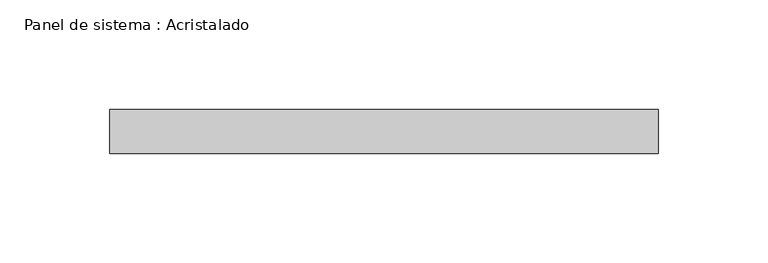
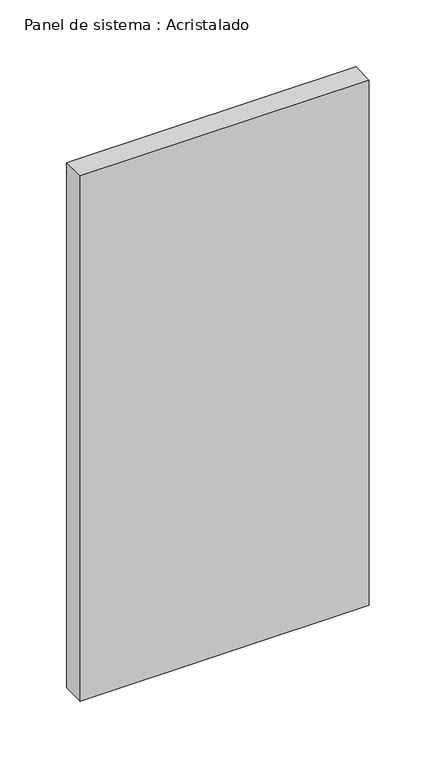
"""IFC4 building model written with IfcOpenShell, lengths in millimetres: plate geometry, Panel de sistema : Acristalado."""

import ifcopenshell
import ifcopenshell.guid

model = None  # the IFC model being written
_history = None  # IfcOwnerHistory: only IFC2X3 demands one
_inside = {}  # id of a spatial element -> (the spatial element, [elements in it])
_under = {}  # id of a project, library or spatial element -> (it, [spatial elements below it])
_declared = {}  # id of a project -> (the project, [libraries it declares])
_typed = {}  # id of a type object -> (the type object, [elements of that type])
_made_of = {}  # id of a material, layer set ... -> (it, [elements and type objects made of it])


def new_model(schema):
    """Start an empty IFC model of exactly this schema.

    Asked for "IFC4X3", IfcOpenShell would pick the latest addendum, in which some entities
    have other attributes; the version numbers below select the first issue.
    IFC2X3 requires an IfcOwnerHistory on every rooted entity: one is made here for all.
    """
    global model, _history
    if schema == "IFC4X3":
        model = ifcopenshell.file(schema_version=(4, 3, 0, 0))
    else:
        model = ifcopenshell.file(schema=schema)
    _inside.clear()
    _under.clear()
    _declared.clear()
    _typed.clear()
    _made_of.clear()
    _history = None
    if model.schema == "IFC2X3":
        org = make("IfcOrganization", Name="unknown")
        user = make(
            "IfcPersonAndOrganization",
            ThePerson=make("IfcPerson", FamilyName="unknown"),
            TheOrganization=org,
        )
        app = make(
            "IfcApplication",
            ApplicationDeveloper=org,
            Version="unknown",
            ApplicationFullName="unknown",
            ApplicationIdentifier="unknown",
        )
        _history = make(
            "IfcOwnerHistory",
            OwningUser=user,
            OwningApplication=app,
            ChangeAction="ADDED",
            CreationDate=0,
        )
    return model


def make(cls, **values):
    """One entity of the class cls with the attributes given. An attribute that is None is left unset."""
    return model.create_entity(
        cls, **{name: value for name, value in values.items() if value is not None}
    )


def rooted(cls, **values):
    """An entity with a GlobalId (a new one), such as an element, a storey or a relation."""
    return make(cls, GlobalId=ifcopenshell.guid.new(), OwnerHistory=_history, **values)


def si_unit(unit_type, name, prefix=None):
    """IfcSIUnit, for example si_unit("LENGTHUNIT", "METRE", prefix="MILLI")."""
    return make("IfcSIUnit", UnitType=unit_type, Prefix=prefix, Name=name)


def assignment(units):
    """IfcUnitAssignment: the units of a project."""
    return None if units is None else make("IfcUnitAssignment", Units=units)


def point(xyz):
    """IfcCartesianPoint."""
    return None if xyz is None else make("IfcCartesianPoint", Coordinates=xyz)


def direction(xyz):
    """IfcDirection."""
    return None if xyz is None else make("IfcDirection", DirectionRatios=xyz)


def frame(location, z_axis=None, x_axis=None):
    """IfcAxis2Placement3D, a coordinate frame: its origin and axes. An axis left out is left unset."""
    return make(
        "IfcAxis2Placement3D",
        Location=point(location),
        Axis=direction(z_axis),
        RefDirection=direction(x_axis),
    )


def origin():
    """The frame at (0, 0, 0) with its axes left unset."""
    return frame((0.0, 0.0, 0.0))


def origin_with_axes():
    """The frame at (0, 0, 0) with the z axis (0, 0, 1) and the x axis (1, 0, 0) written out."""
    return frame((0.0, 0.0, 0.0), z_axis=(0.0, 0.0, 1.0), x_axis=(1.0, 0.0, 0.0))


def place(relative_to, where):
    """IfcLocalPlacement: puts the frame where relative to a parent placement (None: the world)."""
    return make(
        "IfcLocalPlacement", PlacementRelTo=relative_to, RelativePlacement=where
    )


def context(
    kind, dimensions, precision=None, world=None, true_north=None, identifier=None
):
    """IfcGeometricRepresentationContext, for example the 3D "Model" context."""
    return make(
        "IfcGeometricRepresentationContext",
        ContextIdentifier=identifier,
        ContextType=kind,
        CoordinateSpaceDimension=dimensions,
        Precision=precision,
        WorldCoordinateSystem=world,
        TrueNorth=true_north,
    )


def project(units=None, contexts=None):
    """IfcProject with its units and contexts."""
    return rooted(
        "IfcProject",
        Name="project",
        RepresentationContexts=contexts,
        UnitsInContext=assignment(units),
    )


def spatial(cls, under=None, at=None, **own):
    """A site, building, storey or space (cls), placed at a placement, below another one or the project."""
    s = rooted(cls, ObjectPlacement=at, **own)
    if under is not None:
        _under.setdefault(under.id(), (under, []))[1].append(s)
    return s


def polyline(points):
    """IfcPolyline through the points."""
    return make("IfcPolyline", Points=[point(p) for p in points])


def outline(outer, holes=None, kind="AREA"):
    """IfcArbitraryClosedProfileDef: a profile drawn as a closed curve; with holes, ...WithVoids."""
    if holes is None:
        return make("IfcArbitraryClosedProfileDef", ProfileType=kind, OuterCurve=outer)
    return make(
        "IfcArbitraryProfileDefWithVoids",
        ProfileType=kind,
        OuterCurve=outer,
        InnerCurves=holes,
    )


def extrude(swept, where, along, depth):
    """IfcExtrudedAreaSolid: the profile swept, set in the frame where, extruded along a direction by depth."""
    return make(
        "IfcExtrudedAreaSolid",
        SweptArea=swept,
        Position=where,
        ExtrudedDirection=direction(along),
        Depth=depth,
    )


def shape(context_of_items, identifier, shape_type, items):
    """IfcShapeRepresentation: the items that make up one representation, for example the "Body"."""
    return make(
        "IfcShapeRepresentation",
        ContextOfItems=context_of_items,
        RepresentationIdentifier=identifier,
        RepresentationType=shape_type,
        Items=items,
    )


def source(mapping_origin, context_of_items, identifier, shape_type, items):
    """IfcRepresentationMap: a shape defined once, which mapped items show again and again."""
    return make(
        "IfcRepresentationMap",
        MappingOrigin=mapping_origin,
        MappedRepresentation=shape(context_of_items, identifier, shape_type, items),
    )


def transform(
    local_origin,
    x_axis=None,
    y_axis=None,
    z_axis=None,
    scale=None,
    scale2=None,
    scale3=None,
    uniform=True,
):
    """IfcCartesianTransformationOperator3D, or its non-uniform kind. x_axis, y_axis, z_axis: its Axis1, 2, 3."""
    if uniform:
        return make(
            "IfcCartesianTransformationOperator3D",
            Axis1=direction(x_axis),
            Axis2=direction(y_axis),
            LocalOrigin=point(local_origin),
            Scale=scale,
            Axis3=direction(z_axis),
        )
    return make(
        "IfcCartesianTransformationOperator3DnonUniform",
        Axis1=direction(x_axis),
        Axis2=direction(y_axis),
        LocalOrigin=point(local_origin),
        Scale=scale,
        Axis3=direction(z_axis),
        Scale2=scale2,
        Scale3=scale3,
    )


def mapped(mapping_source, mapping_target):
    """IfcMappedItem: shows the shape of a source again, moved by a transform."""
    return make(
        "IfcMappedItem", MappingSource=mapping_source, MappingTarget=mapping_target
    )


def made_of(thing, what):
    """Note that an element or type object is made of a material, layer set ...; save() writes the relation."""
    if what is not None:
        _made_of.setdefault(what.id(), (what, []))[1].append(thing)
    return thing


def element(
    cls,
    number,
    at=None,
    inside=None,
    cuts=None,
    type_object=None,
    material=None,
    context=None,
    identifier="Body",
    shape_type=None,
    held_by="IfcProductDefinitionShape",
    body=None,
    shapes=None,
    **own,
):
    """One element of the class cls, such as IfcWall. Its Tag is "e" and its number.

    at: its placement. inside: the storey or other place that contains it. cuts: it is an
    opening in that element (IfcRelVoidsElement). A single representation is given by context,
    identifier, shape_type and body (its items); several are given by shapes. held_by: the class
    of the entity that holds the representations. save() writes the other relations.
    """
    e = rooted(cls, Tag="e%d" % number, ObjectPlacement=at, **own)
    if body is not None:
        shapes = [shape(context, identifier, shape_type, body)]
    if shapes is not None:
        e.Representation = make(held_by, Representations=shapes)
    if inside is not None:
        _inside.setdefault(inside.id(), (inside, []))[1].append(e)
    if cuts is not None:
        rooted(
            "IfcRelVoidsElement", RelatingBuildingElement=cuts, RelatedOpeningElement=e
        )
    if type_object is not None:
        _typed.setdefault(type_object.id(), (type_object, []))[1].append(e)
    return made_of(e, material)


def aggregate(whole, parts):
    """IfcRelAggregates: a whole, such as a stair, and the parts it consists of."""
    return rooted("IfcRelAggregates", RelatingObject=whole, RelatedObjects=parts)


def save(model, path):
    """Write the relations noted so far, then the file.

    IfcRelAggregates (storeys below a building ...), IfcRelContainedInSpatialStructure (elements
    in a storey), IfcRelDefinesByType, IfcRelAssociatesMaterial and IfcRelDeclares: one each for
    every whole, place, type object, material and project.
    """
    for whole, parts in _under.values():
        aggregate(whole, parts)
    for where, things in _inside.values():
        rooted(
            "IfcRelContainedInSpatialStructure",
            RelatedElements=things,
            RelatingStructure=where,
        )
    for kind, things in _typed.values():
        rooted("IfcRelDefinesByType", RelatedObjects=things, RelatingType=kind)
    for what, things in _made_of.values():
        rooted("IfcRelAssociatesMaterial", RelatedObjects=things, RelatingMaterial=what)
    for by, libraries in _declared.values():
        rooted("IfcRelDeclares", RelatingContext=by, RelatedDefinitions=libraries)
    model.write(path)


def panel_de_sistema_acristalado_70795b49(model_context):
    return source(origin(), model_context, "Body", "SweptSolid", [
        extrude(outline(polyline([(125.0, -10.0), (-125.0, -10.0), (-125.0, 10.0), (125.0, 10.0), (125.0, -10.0)])), origin_with_axes(), (0.0, 0.0, 1.0), 480.0197469),
    ])


if __name__ == "__main__":
    model = new_model("IFC4")
    model_context = context("Model", 3, world=origin())
    ifc_project = project(units=[si_unit("LENGTHUNIT", "METRE", prefix="MILLI")], contexts=[model_context])
    site = spatial("IfcSite", under=ifc_project)
    building = spatial("IfcBuilding", under=site)
    placement = place(None, origin())
    panel_de_sistema_acristalado_shape = panel_de_sistema_acristalado_70795b49(model_context)
    element("IfcPlate", 1, ObjectType="Panel de sistema : Acristalado", at=placement, inside=building, context=model_context, shape_type="MappedRepresentation", body=[
        mapped(panel_de_sistema_acristalado_shape, transform((0.0, 0.0, 0.0), x_axis=(1.0, 0.0, 0.0), y_axis=(0.0, 1.0, 0.0), z_axis=(0.0, 0.0, 1.0))),
    ])
    save(model, "model.ifc")
